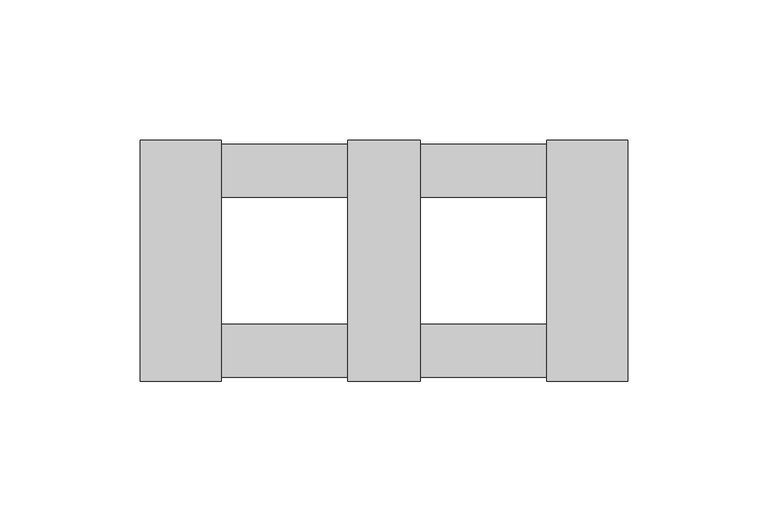
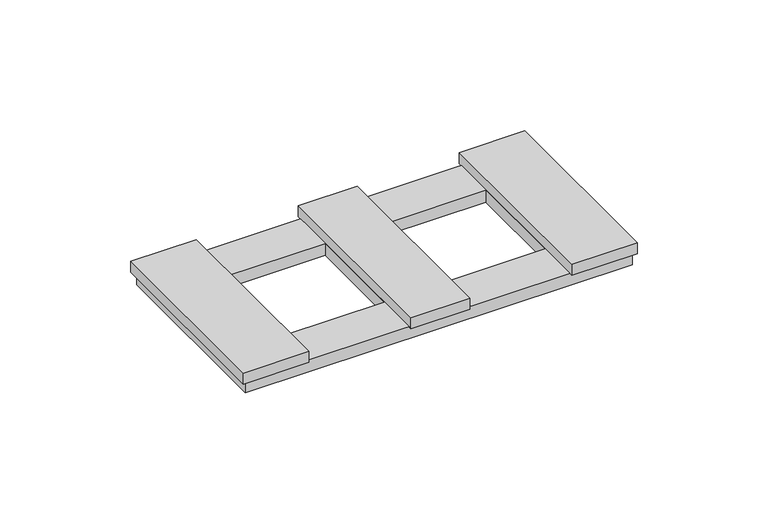
"""IFC4 building model written with IfcOpenShell, lengths in millimetres: proxy geometry."""

from ifc_helpers import new_model, si_unit, frame, origin, origin_with_axes, place, context, project, spatial, polyline, outline, extrude, source, transform, mapped, element, save


def electrical_fixtures_696816d7(model_context):
    return source(origin(), model_context, "Body", "SweptSolid", [
        extrude(outline(polyline([(85.6, 41.5), (85.6, -41.5), (-85.1718172, -41.5), (-85.1718172, 41.5), (85.6, 41.5)]), holes=[polyline([(-13.0, 22.5), (-58.0, 22.5), (-58.0, -22.5), (-13.0, -22.5), (-13.0, 22.5)]), polyline([(13.0, 22.5), (13.0, -22.5), (58.0, -22.5), (58.0, 22.5), (13.0, 22.5)])]), origin_with_axes(), (0.0, 0.0, 1.0), 5.5),
        extrude(outline(polyline([(-86.9, -43.0), (-86.9, 43.0), (-58.0, 43.0), (-58.0, -43.0), (-86.9, -43.0)])), frame((0.0, 0.0, 5.5), z_axis=(0.0, 0.0, 1.0), x_axis=(1.0, 0.0, 0.0)), (0.0, 0.0, 1.0), 5.2),
        extrude(outline(polyline([(-13.0, -43.0), (-13.0, 43.0), (13.0, 43.0), (13.0, -43.0), (-13.0, -43.0)])), frame((0.0, 0.0, 5.5), z_axis=(0.0, 0.0, 1.0), x_axis=(1.0, 0.0, 0.0)), (0.0, 0.0, 1.0), 5.2),
        extrude(outline(polyline([(86.9, -43.0), (58.0, -43.0), (58.0, 43.0), (86.9, 43.0), (86.9, -43.0)])), frame((0.0, 0.0, 5.5), z_axis=(0.0, 0.0, 1.0), x_axis=(1.0, 0.0, 0.0)), (0.0, 0.0, 1.0), 5.2),
    ])


if __name__ == "__main__":
    model = new_model("IFC4")
    model_context = context("Model", 3, world=origin())
    ifc_project = project(units=[si_unit("LENGTHUNIT", "METRE", prefix="MILLI")], contexts=[model_context])
    site = spatial("IfcSite", under=ifc_project)
    building = spatial("IfcBuilding", under=site)
    placement = place(None, origin())
    electrical_fixtures_shape = electrical_fixtures_696816d7(model_context)
    element("IfcBuildingElementProxy", 1, Name="Electrical Fixtures", at=placement, inside=building, context=model_context, shape_type="MappedRepresentation", body=[
        mapped(electrical_fixtures_shape, transform((0.0, 0.0, 0.0), x_axis=(1.0, 0.0, 0.0), y_axis=(0.0, 1.0, 0.0), z_axis=(0.0, 0.0, 1.0))),
    ])
    save(model, "model.ifc")
